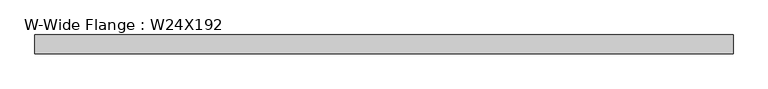
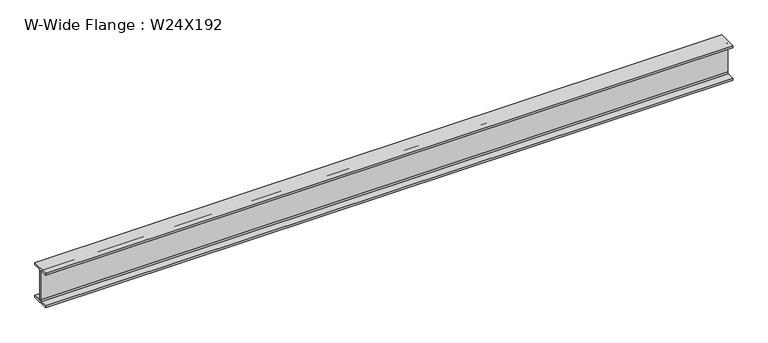
"""IFC4 building model written with IfcOpenShell, lengths in millimetres: beam geometry, W-Wide Flange : W24X192."""

from ifc_helpers import new_model, si_unit, point, frame, frame_2d, origin, place, context, project, spatial, polyline, circle_curve, trimmed, segment, composite_curve, outline, extrude, source, transform, mapped, element, save


def w_wide_flange_w24x192_8725a502(model_context):
    return source(origin(), model_context, "Body", "SweptSolid", [
        extrude(outline(composite_curve([segment(polyline([(165.1, -286.766), (165.1, -323.85), (-165.1, -323.85), (-165.1, -286.766), (-33.528, -286.766)]), True, "CONTINUOUS"), segment(trimmed(circle_curve(frame_2d((-33.528, -263.525)), 23.241), [point((-33.528, -286.766))], [point((-10.287, -263.525))], True, "CARTESIAN"), True, "CONTINUOUS"), segment(polyline([(-10.287, -263.525), (-10.287, 263.525)]), True, "CONTINUOUS"), segment(trimmed(circle_curve(frame_2d((-33.528, 263.525)), 23.241), [point((-10.287, 263.525))], [point((-33.528, 286.766))], True, "CARTESIAN"), True, "CONTINUOUS"), segment(polyline([(-33.528, 286.766), (-165.1, 286.766), (-165.1, 323.85), (165.1, 323.85), (165.1, 286.766), (33.528, 286.766)]), True, "CONTINUOUS"), segment(trimmed(circle_curve(frame_2d((33.528, 263.525)), 23.241), [point((33.528, 286.766))], [point((10.287, 263.525))], True, "CARTESIAN"), True, "CONTINUOUS"), segment(polyline([(10.287, 263.525), (10.287, -263.525)]), True, "CONTINUOUS"), segment(trimmed(circle_curve(frame_2d((33.528, -263.525)), 23.241), [point((10.287, -263.525))], [point((33.528, -286.766))], True, "CARTESIAN"), True, "CONTINUOUS"), segment(polyline([(33.528, -286.766), (165.1, -286.766)]), True, "CONTINUOUS")], self_intersect=False)), frame((-6088.4266595, 0.0, 0.0), z_axis=(1.0, 0.0, 0.0), x_axis=(0.0, 1.0, 0.0)), (0.0, 0.0, 1.0), 12176.853319),
    ])


if __name__ == "__main__":
    model = new_model("IFC4")
    model_context = context("Model", 3, world=origin())
    ifc_project = project(units=[si_unit("LENGTHUNIT", "METRE", prefix="MILLI")], contexts=[model_context])
    site = spatial("IfcSite", under=ifc_project)
    building = spatial("IfcBuilding", under=site)
    placement = place(None, origin())
    w_wide_flange_w24x192_shape = w_wide_flange_w24x192_8725a502(model_context)
    element("IfcBeam", 1, ObjectType="W-Wide Flange : W24X192", at=placement, inside=building, context=model_context, shape_type="MappedRepresentation", body=[
        mapped(w_wide_flange_w24x192_shape, transform((0.0, 0.0, 0.0), x_axis=(1.0, 0.0, 0.0), y_axis=(0.0, 1.0, 0.0), z_axis=(0.0, 0.0, 1.0))),
    ])
    save(model, "model.ifc")
